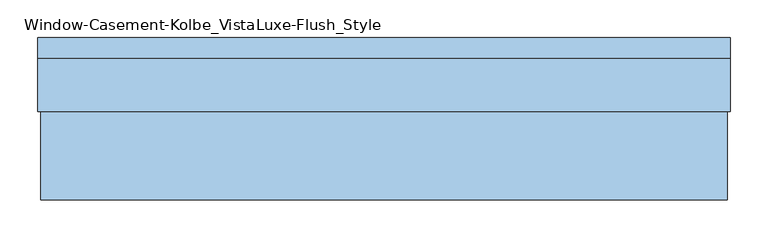
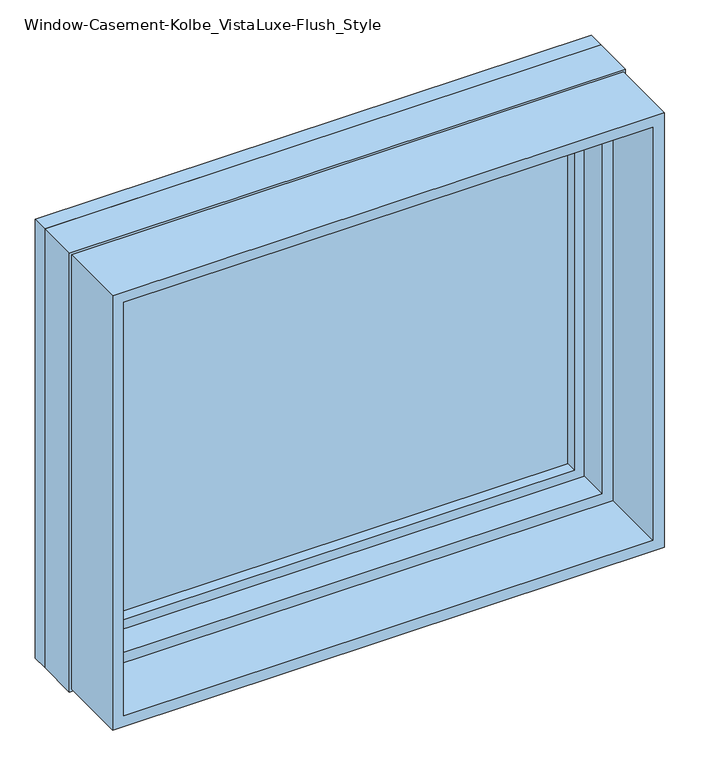
"""IFC4 building model written with IfcOpenShell, lengths in millimetres: window geometry, Window-Casement-Kolbe_VistaLuxe-Flush_Style."""

import ifcopenshell
import ifcopenshell.guid

model = None  # the IFC model being written
_history = None  # IfcOwnerHistory: only IFC2X3 demands one
_inside = {}  # id of a spatial element -> (the spatial element, [elements in it])
_under = {}  # id of a project, library or spatial element -> (it, [spatial elements below it])
_declared = {}  # id of a project -> (the project, [libraries it declares])
_typed = {}  # id of a type object -> (the type object, [elements of that type])
_made_of = {}  # id of a material, layer set ... -> (it, [elements and type objects made of it])


def new_model(schema):
    """Start an empty IFC model of exactly this schema.

    Asked for "IFC4X3", IfcOpenShell would pick the latest addendum, in which some entities
    have other attributes; the version numbers below select the first issue.
    IFC2X3 requires an IfcOwnerHistory on every rooted entity: one is made here for all.
    """
    global model, _history
    if schema == "IFC4X3":
        model = ifcopenshell.file(schema_version=(4, 3, 0, 0))
    else:
        model = ifcopenshell.file(schema=schema)
    _inside.clear()
    _under.clear()
    _declared.clear()
    _typed.clear()
    _made_of.clear()
    _history = None
    if model.schema == "IFC2X3":
        org = make("IfcOrganization", Name="unknown")
        user = make(
            "IfcPersonAndOrganization",
            ThePerson=make("IfcPerson", FamilyName="unknown"),
            TheOrganization=org,
        )
        app = make(
            "IfcApplication",
            ApplicationDeveloper=org,
            Version="unknown",
            ApplicationFullName="unknown",
            ApplicationIdentifier="unknown",
        )
        _history = make(
            "IfcOwnerHistory",
            OwningUser=user,
            OwningApplication=app,
            ChangeAction="ADDED",
            CreationDate=0,
        )
    return model


def make(cls, **values):
    """One entity of the class cls with the attributes given. An attribute that is None is left unset."""
    return model.create_entity(
        cls, **{name: value for name, value in values.items() if value is not None}
    )


def rooted(cls, **values):
    """An entity with a GlobalId (a new one), such as an element, a storey or a relation."""
    return make(cls, GlobalId=ifcopenshell.guid.new(), OwnerHistory=_history, **values)


def si_unit(unit_type, name, prefix=None):
    """IfcSIUnit, for example si_unit("LENGTHUNIT", "METRE", prefix="MILLI")."""
    return make("IfcSIUnit", UnitType=unit_type, Prefix=prefix, Name=name)


def assignment(units):
    """IfcUnitAssignment: the units of a project."""
    return None if units is None else make("IfcUnitAssignment", Units=units)


def point(xyz):
    """IfcCartesianPoint."""
    return None if xyz is None else make("IfcCartesianPoint", Coordinates=xyz)


def direction(xyz):
    """IfcDirection."""
    return None if xyz is None else make("IfcDirection", DirectionRatios=xyz)


def frame(location, z_axis=None, x_axis=None):
    """IfcAxis2Placement3D, a coordinate frame: its origin and axes. An axis left out is left unset."""
    return make(
        "IfcAxis2Placement3D",
        Location=point(location),
        Axis=direction(z_axis),
        RefDirection=direction(x_axis),
    )


def origin():
    """The frame at (0, 0, 0) with its axes left unset."""
    return frame((0.0, 0.0, 0.0))


def place(relative_to, where):
    """IfcLocalPlacement: puts the frame where relative to a parent placement (None: the world)."""
    return make(
        "IfcLocalPlacement", PlacementRelTo=relative_to, RelativePlacement=where
    )


def context(
    kind, dimensions, precision=None, world=None, true_north=None, identifier=None
):
    """IfcGeometricRepresentationContext, for example the 3D "Model" context."""
    return make(
        "IfcGeometricRepresentationContext",
        ContextIdentifier=identifier,
        ContextType=kind,
        CoordinateSpaceDimension=dimensions,
        Precision=precision,
        WorldCoordinateSystem=world,
        TrueNorth=true_north,
    )


def project(units=None, contexts=None):
    """IfcProject with its units and contexts."""
    return rooted(
        "IfcProject",
        Name="project",
        RepresentationContexts=contexts,
        UnitsInContext=assignment(units),
    )


def spatial(cls, under=None, at=None, **own):
    """A site, building, storey or space (cls), placed at a placement, below another one or the project."""
    s = rooted(cls, ObjectPlacement=at, **own)
    if under is not None:
        _under.setdefault(under.id(), (under, []))[1].append(s)
    return s


def polyline(points):
    """IfcPolyline through the points."""
    return make("IfcPolyline", Points=[point(p) for p in points])


def outline(outer, holes=None, kind="AREA"):
    """IfcArbitraryClosedProfileDef: a profile drawn as a closed curve; with holes, ...WithVoids."""
    if holes is None:
        return make("IfcArbitraryClosedProfileDef", ProfileType=kind, OuterCurve=outer)
    return make(
        "IfcArbitraryProfileDefWithVoids",
        ProfileType=kind,
        OuterCurve=outer,
        InnerCurves=holes,
    )


def extrude(swept, where, along, depth):
    """IfcExtrudedAreaSolid: the profile swept, set in the frame where, extruded along a direction by depth."""
    return make(
        "IfcExtrudedAreaSolid",
        SweptArea=swept,
        Position=where,
        ExtrudedDirection=direction(along),
        Depth=depth,
    )


def faces_of(points, faces, orient=None, outer=None):
    """IfcFace entities. A face is a list of loops; a loop is a list of indices into points, from 0.

    orient and outer hold one flag for each loop. By default every Orientation is true, the
    first loop of a face is its IfcFaceOuterBound and the others are IfcFaceBound.
    """
    made = []
    for i, loops in enumerate(faces):
        bounds = []
        for j, loop in enumerate(loops):
            is_outer = j == 0 if outer is None else outer[i][j]
            bounds.append(
                make(
                    "IfcFaceOuterBound" if is_outer else "IfcFaceBound",
                    Bound=make("IfcPolyLoop", Polygon=[points[k] for k in loop]),
                    Orientation=True if orient is None else orient[i][j],
                )
            )
        made.append(make("IfcFace", Bounds=bounds))
    return made


def faceted_brep(points, faces, orient=None, outer=None, voids=None):
    """IfcFacetedBrep: a solid bounded by flat faces; with voids (closed shells), ...WithVoids."""
    shared = [point(p) for p in points]
    hull = make("IfcClosedShell", CfsFaces=faces_of(shared, faces, orient, outer))
    if voids is None:
        return make("IfcFacetedBrep", Outer=hull)
    return make(
        "IfcFacetedBrepWithVoids",
        Outer=hull,
        Voids=[
            make(cls, CfsFaces=faces_of(shared, fs, o, b)) for cls, fs, o, b in voids
        ],
    )


def shape(context_of_items, identifier, shape_type, items):
    """IfcShapeRepresentation: the items that make up one representation, for example the "Body"."""
    return make(
        "IfcShapeRepresentation",
        ContextOfItems=context_of_items,
        RepresentationIdentifier=identifier,
        RepresentationType=shape_type,
        Items=items,
    )


def source(mapping_origin, context_of_items, identifier, shape_type, items):
    """IfcRepresentationMap: a shape defined once, which mapped items show again and again."""
    return make(
        "IfcRepresentationMap",
        MappingOrigin=mapping_origin,
        MappedRepresentation=shape(context_of_items, identifier, shape_type, items),
    )


def transform(
    local_origin,
    x_axis=None,
    y_axis=None,
    z_axis=None,
    scale=None,
    scale2=None,
    scale3=None,
    uniform=True,
):
    """IfcCartesianTransformationOperator3D, or its non-uniform kind. x_axis, y_axis, z_axis: its Axis1, 2, 3."""
    if uniform:
        return make(
            "IfcCartesianTransformationOperator3D",
            Axis1=direction(x_axis),
            Axis2=direction(y_axis),
            LocalOrigin=point(local_origin),
            Scale=scale,
            Axis3=direction(z_axis),
        )
    return make(
        "IfcCartesianTransformationOperator3DnonUniform",
        Axis1=direction(x_axis),
        Axis2=direction(y_axis),
        LocalOrigin=point(local_origin),
        Scale=scale,
        Axis3=direction(z_axis),
        Scale2=scale2,
        Scale3=scale3,
    )


def mapped(mapping_source, mapping_target):
    """IfcMappedItem: shows the shape of a source again, moved by a transform."""
    return make(
        "IfcMappedItem", MappingSource=mapping_source, MappingTarget=mapping_target
    )


def made_of(thing, what):
    """Note that an element or type object is made of a material, layer set ...; save() writes the relation."""
    if what is not None:
        _made_of.setdefault(what.id(), (what, []))[1].append(thing)
    return thing


def element(
    cls,
    number,
    at=None,
    inside=None,
    cuts=None,
    type_object=None,
    material=None,
    context=None,
    identifier="Body",
    shape_type=None,
    held_by="IfcProductDefinitionShape",
    body=None,
    shapes=None,
    **own,
):
    """One element of the class cls, such as IfcWall. Its Tag is "e" and its number.

    at: its placement. inside: the storey or other place that contains it. cuts: it is an
    opening in that element (IfcRelVoidsElement). A single representation is given by context,
    identifier, shape_type and body (its items); several are given by shapes. held_by: the class
    of the entity that holds the representations. save() writes the other relations.
    """
    e = rooted(cls, Tag="e%d" % number, ObjectPlacement=at, **own)
    if body is not None:
        shapes = [shape(context, identifier, shape_type, body)]
    if shapes is not None:
        e.Representation = make(held_by, Representations=shapes)
    if inside is not None:
        _inside.setdefault(inside.id(), (inside, []))[1].append(e)
    if cuts is not None:
        rooted(
            "IfcRelVoidsElement", RelatingBuildingElement=cuts, RelatedOpeningElement=e
        )
    if type_object is not None:
        _typed.setdefault(type_object.id(), (type_object, []))[1].append(e)
    return made_of(e, material)


def aggregate(whole, parts):
    """IfcRelAggregates: a whole, such as a stair, and the parts it consists of."""
    return rooted("IfcRelAggregates", RelatingObject=whole, RelatedObjects=parts)


def save(model, path):
    """Write the relations noted so far, then the file.

    IfcRelAggregates (storeys below a building ...), IfcRelContainedInSpatialStructure (elements
    in a storey), IfcRelDefinesByType, IfcRelAssociatesMaterial and IfcRelDeclares: one each for
    every whole, place, type object, material and project.
    """
    for whole, parts in _under.values():
        aggregate(whole, parts)
    for where, things in _inside.values():
        rooted(
            "IfcRelContainedInSpatialStructure",
            RelatedElements=things,
            RelatingStructure=where,
        )
    for kind, things in _typed.values():
        rooted("IfcRelDefinesByType", RelatedObjects=things, RelatingType=kind)
    for what, things in _made_of.values():
        rooted("IfcRelAssociatesMaterial", RelatedObjects=things, RelatingMaterial=what)
    for by, libraries in _declared.values():
        rooted("IfcRelDeclares", RelatingContext=by, RelatedDefinitions=libraries)
    model.write(path)


def window_casement_kolbe_vistaluxe_flush_style_74d49d83(model_context):
    return source(origin(), model_context, "Body", "SolidModel", [
        faceted_brep([(-406.4696599, 111.85398, 970.676875), (395.3765901, 111.85398, 970.676875), (395.3765901, 119.79148, 970.676875), (-406.4696599, 119.79148, 970.676875), (-422.3446599, 89.60358, 954.801875), (411.2515901, 89.60358, 954.801875), (411.2515901, 111.85398, 954.801875), (-422.3446599, 111.85398, 954.801875), (-406.4696599, 70.57898, 970.676875), (395.3765901, 70.57898, 970.676875), (395.3765901, 89.60358, 970.676875), (-406.4696599, 89.60358, 970.676875), (-450.9196599, 119.79148, 926.226875), (439.8265901, 119.79148, 926.226875), (439.8265901, 70.57898, 926.226875), (-450.9196599, 70.57898, 926.226875), (395.3765901, 111.85398, 1620.123125), (395.3765901, 119.79148, 1620.123125), (411.2515901, 89.60358, 1635.998125), (411.2515901, 111.85398, 1635.998125), (395.3765901, 70.57898, 1620.123125), (395.3765901, 89.60358, 1620.123125), (439.8265901, 119.79148, 1664.573125), (439.8265901, 70.57898, 1664.573125), (-406.4696599, 111.85398, 1620.123125), (-406.4696599, 119.79148, 1620.123125), (-422.3446599, 89.60358, 1635.998125), (-422.3446599, 111.85398, 1635.998125), (-406.4696599, 70.57898, 1620.123125), (-406.4696599, 89.60358, 1620.123125), (-450.9196599, 119.79148, 1664.573125), (-450.9196599, 70.57898, 1664.573125)], [[[0, 1, 2, 3]], [[4, 5, 6, 7]], [[8, 9, 10, 11]], [[12, 13, 14, 15]], [[1, 16, 17, 2]], [[5, 18, 19, 6]], [[9, 20, 21, 10]], [[13, 22, 23, 14]], [[16, 24, 25, 17]], [[18, 26, 27, 19]], [[20, 28, 29, 21]], [[22, 30, 31, 23]], [[24, 0, 3, 25]], [[7, 6, 19, 27], [1, 0, 24, 16]], [[26, 4, 7, 27]], [[5, 4, 26, 18], [11, 10, 21, 29]], [[28, 8, 11, 29]], [[15, 14, 23, 31], [9, 8, 28, 20]], [[30, 12, 15, 31]], [[13, 12, 30, 22], [3, 2, 17, 25]]]),
        extrude(outline(polyline([(1672.8186, -459.1651349), (917.9814, -459.1651349), (917.9814, 448.0720651), (1672.8186, 448.0720651), (1672.8186, -459.1651349)]), holes=[polyline([(936.545625, -440.6009099), (1654.254375, -440.6009099), (1654.254375, 429.5078401), (936.545625, 429.5078401), (936.545625, -440.6009099)])]), frame((0.0, -93.6625, 0.0), z_axis=(0.0, 1.0, 0.0), x_axis=(0.0, 0.0, 1.0)), (0.0, 0.0, 1.0), 116.6622),
        extrude(outline(polyline([(1676.4, 451.6534651), (1676.4, -462.7465349), (914.4, -462.7465349), (914.4, 451.6534651), (1676.4, 451.6534651)]), holes=[polyline([(1664.573125, -450.9196599), (1664.573125, 439.8265901), (926.226875, 439.8265901), (926.226875, -450.9196599), (1664.573125, -450.9196599)])]), frame((0.0, 93.6625, 0.0), z_axis=(0.0, 1.0, 0.0), x_axis=(0.0, 0.0, 1.0)), (0.0, 0.0, 1.0), 26.924),
        faceted_brep([(451.6534651, 22.9997, 914.4), (-462.7465349, 22.9997, 914.4), (-462.7465349, 93.6625, 914.4), (451.6534651, 93.6625, 914.4), (429.5078401, 70.58025, 936.545625), (-440.6009099, 70.58025, 936.545625), (-440.6009099, 22.9997, 936.545625), (429.5078401, 22.9997, 936.545625), (439.8265901, 93.6625, 926.226875), (-450.9196599, 93.6625, 926.226875), (-450.9196599, 70.58025, 926.226875), (439.8265901, 70.58025, 926.226875), (-462.7465349, 22.9997, 1676.4), (-462.7465349, 93.6625, 1676.4), (-440.6009099, 70.58025, 1654.254375), (-440.6009099, 22.9997, 1654.254375), (-450.9196599, 93.6625, 1664.573125), (-450.9196599, 70.58025, 1664.573125), (451.6534651, 22.9997, 1676.4), (451.6534651, 93.6625, 1676.4), (429.5078401, 70.58025, 1654.254375), (429.5078401, 22.9997, 1654.254375), (439.8265901, 93.6625, 1664.573125), (439.8265901, 70.58025, 1664.573125)], [[[0, 1, 2, 3]], [[4, 5, 6, 7]], [[8, 9, 10, 11]], [[1, 12, 13, 2]], [[5, 14, 15, 6]], [[9, 16, 17, 10]], [[12, 18, 19, 13]], [[14, 20, 21, 15]], [[16, 22, 23, 17]], [[18, 0, 3, 19]], [[1, 0, 18, 12], [7, 6, 15, 21]], [[20, 4, 7, 21]], [[11, 10, 17, 23], [5, 4, 20, 14]], [[22, 8, 11, 23]], [[3, 2, 13, 19], [9, 8, 22, 16]]]),
        extrude(outline(polyline([(408.0765901, 92.77858), (408.0765901, 89.60358), (-419.1696599, 89.60358), (-419.1696599, 92.77858), (408.0765901, 92.77858)])), frame((0.0, 0.0, 957.976875), z_axis=(0.0, 0.0, 1.0), x_axis=(1.0, 0.0, 0.0)), (0.0, 0.0, 1.0), 674.84625),
        extrude(outline(polyline([(408.0765901, 108.67898), (-419.1696599, 108.67898), (-419.1696599, 111.85398), (408.0765901, 111.85398), (408.0765901, 108.67898)])), frame((0.0, 0.0, 957.976875), z_axis=(0.0, 0.0, 1.0), x_axis=(1.0, 0.0, 0.0)), (0.0, 0.0, 1.0), 674.84625),
        extrude(outline(polyline([(936.545625, -440.6009099), (936.545625, 429.5078401), (1654.254375, 429.5078401), (1654.254375, -440.6009099), (936.545625, -440.6009099)]), holes=[polyline([(954.801875, 411.2515901), (954.801875, -422.3446599), (1635.998125, -422.3446599), (1635.998125, 411.2515901), (954.801875, 411.2515901)])]), frame((0.0, 19.78025, 0.0), z_axis=(0.0, 1.0, 0.0), x_axis=(0.0, 0.0, 1.0)), (0.0, 0.0, 1.0), 50.8),
    ])


if __name__ == "__main__":
    model = new_model("IFC4")
    model_context = context("Model", 3, world=origin())
    ifc_project = project(units=[si_unit("LENGTHUNIT", "METRE", prefix="MILLI")], contexts=[model_context])
    site = spatial("IfcSite", under=ifc_project)
    building = spatial("IfcBuilding", under=site)
    placement = place(None, origin())
    window_casement_kolbe_vistaluxe_flush_style_shape = window_casement_kolbe_vistaluxe_flush_style_74d49d83(model_context)
    element("IfcWindow", 1, ObjectType="Window-Casement-Kolbe_VistaLuxe-Flush_Style", at=placement, inside=building, context=model_context, shape_type="MappedRepresentation", body=[
        mapped(window_casement_kolbe_vistaluxe_flush_style_shape, transform((0.0, 0.0, 0.0), x_axis=(1.0, 0.0, 0.0), y_axis=(0.0, 1.0, 0.0), z_axis=(0.0, 0.0, 1.0))),
    ])
    save(model, "model.ifc")
